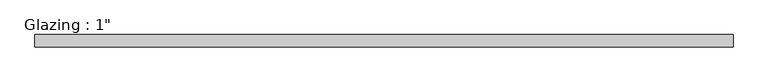
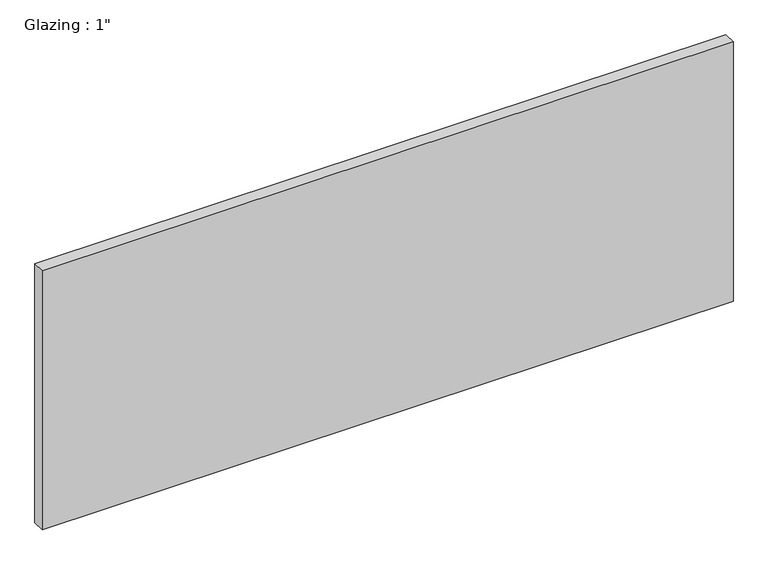
"""IFC4 building model written with IfcOpenShell, lengths in millimetres: plate geometry."""

from ifc_helpers import new_model, si_unit, origin, origin_with_axes, place, context, project, spatial, polyline, outline, extrude, source, transform, mapped, element, save


def plate_d5506e04(model_context):
    return source(origin(), model_context, "Body", "SweptSolid", [
        extrude(outline(polyline([(710.5540109, -12.7), (-710.5540109, -12.7), (-710.5540109, 12.7), (710.5540109, 12.7), (710.5540109, -12.7)])), origin_with_axes(), (0.0, 0.0, 1.0), 563.17901),
    ])


if __name__ == "__main__":
    model = new_model("IFC4")
    model_context = context("Model", 3, world=origin())
    ifc_project = project(units=[si_unit("LENGTHUNIT", "METRE", prefix="MILLI")], contexts=[model_context])
    site = spatial("IfcSite", under=ifc_project)
    building = spatial("IfcBuilding", under=site)
    placement = place(None, origin())
    plate_shape = plate_d5506e04(model_context)
    element("IfcPlate", 1, ObjectType="Glazing : 1\"", at=placement, inside=building, context=model_context, shape_type="MappedRepresentation", body=[
        mapped(plate_shape, transform((0.0, 0.0, 0.0), x_axis=(1.0, 0.0, 0.0), y_axis=(0.0, 1.0, 0.0), z_axis=(0.0, 0.0, 1.0))),
    ])
    save(model, "model.ifc")
